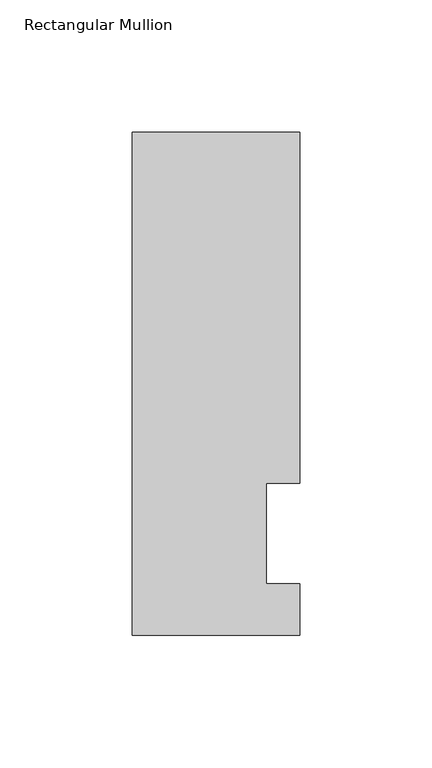
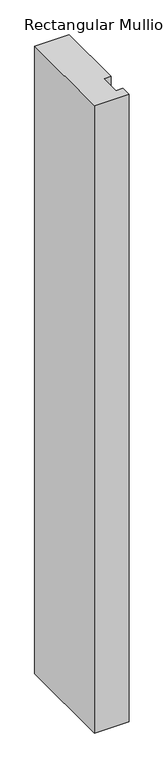
"""IFC4 building model written with IfcOpenShell, lengths in millimetres: member geometry, Rectangular Mullion."""

from ifc_helpers import new_model, si_unit, frame, origin, place, context, project, spatial, polyline, outline, extrude, source, transform, mapped, element, save


def rectangular_mullion_30662383(model_context):
    return source(origin(), model_context, "Body", "SweptSolid", [
        extrude(outline(polyline([(-12.6873, 57.94375), (-12.6873, 19.84375), (0.0, 19.84375), (0.0, 0.31115), (-63.5, 0.31115), (-63.5, 190.88735), (0.0, 190.88735), (0.0, 57.94375), (-12.6873, 57.94375)])), frame((0.0, 0.0, -1219.2), z_axis=(0.0, 0.0, 1.0), x_axis=(1.0, 0.0, 0.0)), (0.0, 0.0, 1.0), 1219.2),
    ])


if __name__ == "__main__":
    model = new_model("IFC4")
    model_context = context("Model", 3, world=origin())
    ifc_project = project(units=[si_unit("LENGTHUNIT", "METRE", prefix="MILLI")], contexts=[model_context])
    site = spatial("IfcSite", under=ifc_project)
    building = spatial("IfcBuilding", under=site)
    placement = place(None, origin())
    rectangular_mullion_shape = rectangular_mullion_30662383(model_context)
    element("IfcMember", 1, ObjectType="Rectangular Mullion", at=placement, inside=building, context=model_context, shape_type="MappedRepresentation", body=[
        mapped(rectangular_mullion_shape, transform((0.0, 0.0, 0.0), x_axis=(1.0, 0.0, 0.0), y_axis=(0.0, 1.0, 0.0), z_axis=(0.0, 0.0, 1.0))),
    ])
    save(model, "model.ifc")
